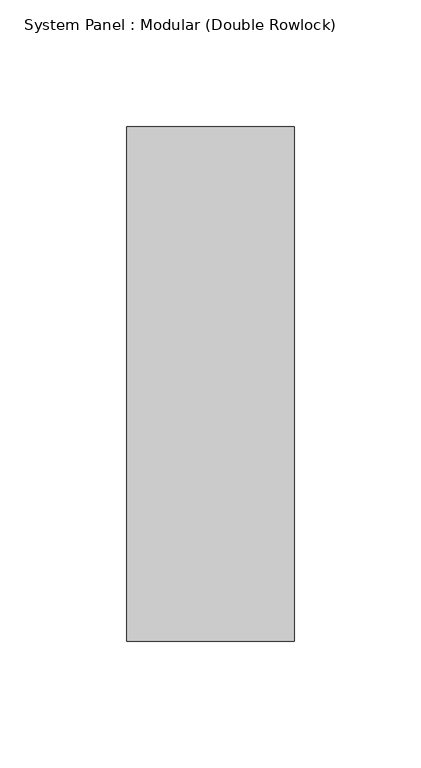
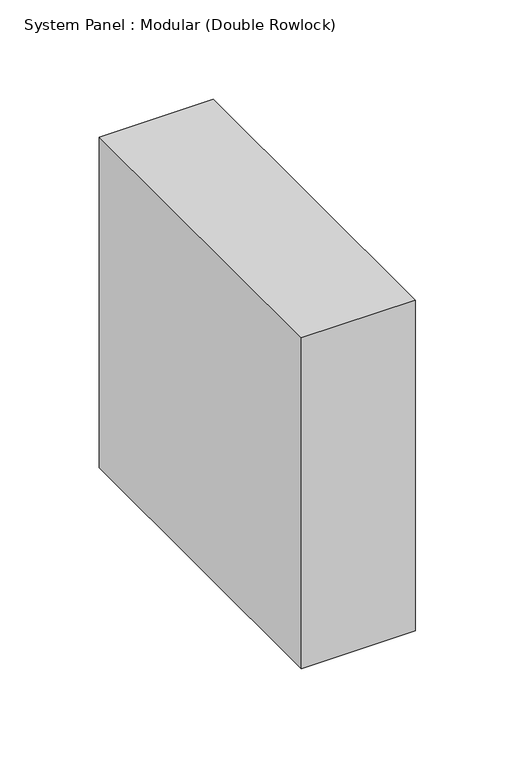
"""IFC4 building model written with IfcOpenShell, lengths in millimetres: plate geometry, System Panel : Modular (Double Rowlock)."""

from ifc_helpers import new_model, si_unit, origin, origin_with_axes, place, context, project, spatial, polyline, outline, extrude, source, transform, mapped, element, save


def system_panel_modular_double_rowlock_33afef6f(model_context):
    return source(origin(), model_context, "Body", "SweptSolid", [
        extrude(outline(polyline([(33.0411667, 0.0), (-33.0411667, 0.0), (-33.0411667, 203.2), (33.0411667, 203.2), (33.0411667, 0.0)])), origin_with_axes(), (0.0, 0.0, 1.0), 203.2),
    ])


if __name__ == "__main__":
    model = new_model("IFC4")
    model_context = context("Model", 3, world=origin())
    ifc_project = project(units=[si_unit("LENGTHUNIT", "METRE", prefix="MILLI")], contexts=[model_context])
    site = spatial("IfcSite", under=ifc_project)
    building = spatial("IfcBuilding", under=site)
    placement = place(None, origin())
    system_panel_modular_double_rowlock_shape = system_panel_modular_double_rowlock_33afef6f(model_context)
    element("IfcPlate", 1, ObjectType="System Panel : Modular (Double Rowlock)", at=placement, inside=building, context=model_context, shape_type="MappedRepresentation", body=[
        mapped(system_panel_modular_double_rowlock_shape, transform((0.0, 0.0, 0.0), x_axis=(1.0, 0.0, 0.0), y_axis=(0.0, 1.0, 0.0), z_axis=(0.0, 0.0, 1.0))),
    ])
    save(model, "model.ifc")
